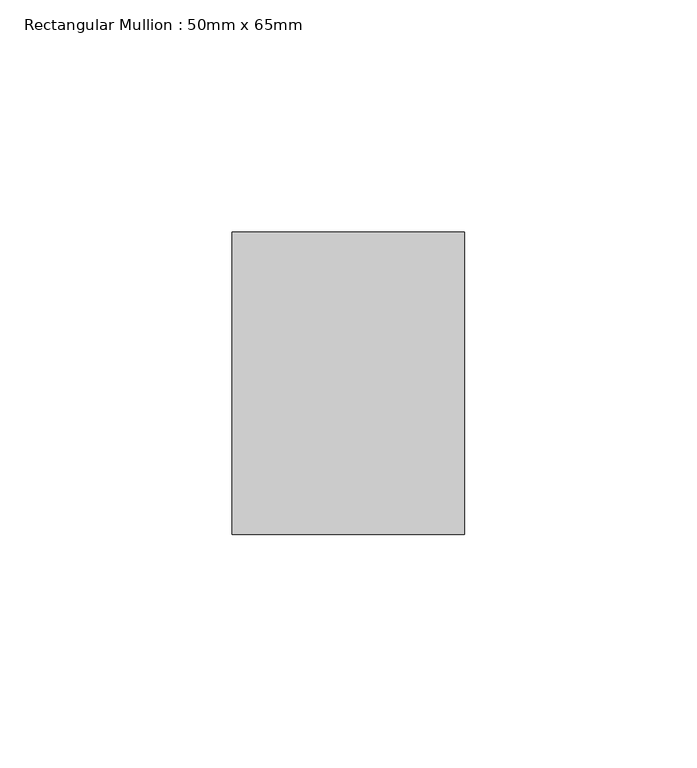
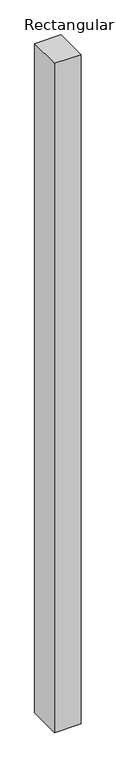
"""IFC4 building model written with IfcOpenShell, lengths in millimetres: member geometry, Rectangular Mullion : 50mm x 65mm."""

import ifcopenshell
import ifcopenshell.guid

model = None  # the IFC model being written
_history = None  # IfcOwnerHistory: only IFC2X3 demands one
_inside = {}  # id of a spatial element -> (the spatial element, [elements in it])
_under = {}  # id of a project, library or spatial element -> (it, [spatial elements below it])
_declared = {}  # id of a project -> (the project, [libraries it declares])
_typed = {}  # id of a type object -> (the type object, [elements of that type])
_made_of = {}  # id of a material, layer set ... -> (it, [elements and type objects made of it])


def new_model(schema):
    """Start an empty IFC model of exactly this schema.

    Asked for "IFC4X3", IfcOpenShell would pick the latest addendum, in which some entities
    have other attributes; the version numbers below select the first issue.
    IFC2X3 requires an IfcOwnerHistory on every rooted entity: one is made here for all.
    """
    global model, _history
    if schema == "IFC4X3":
        model = ifcopenshell.file(schema_version=(4, 3, 0, 0))
    else:
        model = ifcopenshell.file(schema=schema)
    _inside.clear()
    _under.clear()
    _declared.clear()
    _typed.clear()
    _made_of.clear()
    _history = None
    if model.schema == "IFC2X3":
        org = make("IfcOrganization", Name="unknown")
        user = make(
            "IfcPersonAndOrganization",
            ThePerson=make("IfcPerson", FamilyName="unknown"),
            TheOrganization=org,
        )
        app = make(
            "IfcApplication",
            ApplicationDeveloper=org,
            Version="unknown",
            ApplicationFullName="unknown",
            ApplicationIdentifier="unknown",
        )
        _history = make(
            "IfcOwnerHistory",
            OwningUser=user,
            OwningApplication=app,
            ChangeAction="ADDED",
            CreationDate=0,
        )
    return model


def make(cls, **values):
    """One entity of the class cls with the attributes given. An attribute that is None is left unset."""
    return model.create_entity(
        cls, **{name: value for name, value in values.items() if value is not None}
    )


def rooted(cls, **values):
    """An entity with a GlobalId (a new one), such as an element, a storey or a relation."""
    return make(cls, GlobalId=ifcopenshell.guid.new(), OwnerHistory=_history, **values)


def si_unit(unit_type, name, prefix=None):
    """IfcSIUnit, for example si_unit("LENGTHUNIT", "METRE", prefix="MILLI")."""
    return make("IfcSIUnit", UnitType=unit_type, Prefix=prefix, Name=name)


def assignment(units):
    """IfcUnitAssignment: the units of a project."""
    return None if units is None else make("IfcUnitAssignment", Units=units)


def point(xyz):
    """IfcCartesianPoint."""
    return None if xyz is None else make("IfcCartesianPoint", Coordinates=xyz)


def direction(xyz):
    """IfcDirection."""
    return None if xyz is None else make("IfcDirection", DirectionRatios=xyz)


def frame(location, z_axis=None, x_axis=None):
    """IfcAxis2Placement3D, a coordinate frame: its origin and axes. An axis left out is left unset."""
    return make(
        "IfcAxis2Placement3D",
        Location=point(location),
        Axis=direction(z_axis),
        RefDirection=direction(x_axis),
    )


def origin():
    """The frame at (0, 0, 0) with its axes left unset."""
    return frame((0.0, 0.0, 0.0))


def place(relative_to, where):
    """IfcLocalPlacement: puts the frame where relative to a parent placement (None: the world)."""
    return make(
        "IfcLocalPlacement", PlacementRelTo=relative_to, RelativePlacement=where
    )


def context(
    kind, dimensions, precision=None, world=None, true_north=None, identifier=None
):
    """IfcGeometricRepresentationContext, for example the 3D "Model" context."""
    return make(
        "IfcGeometricRepresentationContext",
        ContextIdentifier=identifier,
        ContextType=kind,
        CoordinateSpaceDimension=dimensions,
        Precision=precision,
        WorldCoordinateSystem=world,
        TrueNorth=true_north,
    )


def project(units=None, contexts=None):
    """IfcProject with its units and contexts."""
    return rooted(
        "IfcProject",
        Name="project",
        RepresentationContexts=contexts,
        UnitsInContext=assignment(units),
    )


def spatial(cls, under=None, at=None, **own):
    """A site, building, storey or space (cls), placed at a placement, below another one or the project."""
    s = rooted(cls, ObjectPlacement=at, **own)
    if under is not None:
        _under.setdefault(under.id(), (under, []))[1].append(s)
    return s


def polyline(points):
    """IfcPolyline through the points."""
    return make("IfcPolyline", Points=[point(p) for p in points])


def outline(outer, holes=None, kind="AREA"):
    """IfcArbitraryClosedProfileDef: a profile drawn as a closed curve; with holes, ...WithVoids."""
    if holes is None:
        return make("IfcArbitraryClosedProfileDef", ProfileType=kind, OuterCurve=outer)
    return make(
        "IfcArbitraryProfileDefWithVoids",
        ProfileType=kind,
        OuterCurve=outer,
        InnerCurves=holes,
    )


def extrude(swept, where, along, depth):
    """IfcExtrudedAreaSolid: the profile swept, set in the frame where, extruded along a direction by depth."""
    return make(
        "IfcExtrudedAreaSolid",
        SweptArea=swept,
        Position=where,
        ExtrudedDirection=direction(along),
        Depth=depth,
    )


def shape(context_of_items, identifier, shape_type, items):
    """IfcShapeRepresentation: the items that make up one representation, for example the "Body"."""
    return make(
        "IfcShapeRepresentation",
        ContextOfItems=context_of_items,
        RepresentationIdentifier=identifier,
        RepresentationType=shape_type,
        Items=items,
    )


def source(mapping_origin, context_of_items, identifier, shape_type, items):
    """IfcRepresentationMap: a shape defined once, which mapped items show again and again."""
    return make(
        "IfcRepresentationMap",
        MappingOrigin=mapping_origin,
        MappedRepresentation=shape(context_of_items, identifier, shape_type, items),
    )


def transform(
    local_origin,
    x_axis=None,
    y_axis=None,
    z_axis=None,
    scale=None,
    scale2=None,
    scale3=None,
    uniform=True,
):
    """IfcCartesianTransformationOperator3D, or its non-uniform kind. x_axis, y_axis, z_axis: its Axis1, 2, 3."""
    if uniform:
        return make(
            "IfcCartesianTransformationOperator3D",
            Axis1=direction(x_axis),
            Axis2=direction(y_axis),
            LocalOrigin=point(local_origin),
            Scale=scale,
            Axis3=direction(z_axis),
        )
    return make(
        "IfcCartesianTransformationOperator3DnonUniform",
        Axis1=direction(x_axis),
        Axis2=direction(y_axis),
        LocalOrigin=point(local_origin),
        Scale=scale,
        Axis3=direction(z_axis),
        Scale2=scale2,
        Scale3=scale3,
    )


def mapped(mapping_source, mapping_target):
    """IfcMappedItem: shows the shape of a source again, moved by a transform."""
    return make(
        "IfcMappedItem", MappingSource=mapping_source, MappingTarget=mapping_target
    )


def made_of(thing, what):
    """Note that an element or type object is made of a material, layer set ...; save() writes the relation."""
    if what is not None:
        _made_of.setdefault(what.id(), (what, []))[1].append(thing)
    return thing


def element(
    cls,
    number,
    at=None,
    inside=None,
    cuts=None,
    type_object=None,
    material=None,
    context=None,
    identifier="Body",
    shape_type=None,
    held_by="IfcProductDefinitionShape",
    body=None,
    shapes=None,
    **own,
):
    """One element of the class cls, such as IfcWall. Its Tag is "e" and its number.

    at: its placement. inside: the storey or other place that contains it. cuts: it is an
    opening in that element (IfcRelVoidsElement). A single representation is given by context,
    identifier, shape_type and body (its items); several are given by shapes. held_by: the class
    of the entity that holds the representations. save() writes the other relations.
    """
    e = rooted(cls, Tag="e%d" % number, ObjectPlacement=at, **own)
    if body is not None:
        shapes = [shape(context, identifier, shape_type, body)]
    if shapes is not None:
        e.Representation = make(held_by, Representations=shapes)
    if inside is not None:
        _inside.setdefault(inside.id(), (inside, []))[1].append(e)
    if cuts is not None:
        rooted(
            "IfcRelVoidsElement", RelatingBuildingElement=cuts, RelatedOpeningElement=e
        )
    if type_object is not None:
        _typed.setdefault(type_object.id(), (type_object, []))[1].append(e)
    return made_of(e, material)


def aggregate(whole, parts):
    """IfcRelAggregates: a whole, such as a stair, and the parts it consists of."""
    return rooted("IfcRelAggregates", RelatingObject=whole, RelatedObjects=parts)


def save(model, path):
    """Write the relations noted so far, then the file.

    IfcRelAggregates (storeys below a building ...), IfcRelContainedInSpatialStructure (elements
    in a storey), IfcRelDefinesByType, IfcRelAssociatesMaterial and IfcRelDeclares: one each for
    every whole, place, type object, material and project.
    """
    for whole, parts in _under.values():
        aggregate(whole, parts)
    for where, things in _inside.values():
        rooted(
            "IfcRelContainedInSpatialStructure",
            RelatedElements=things,
            RelatingStructure=where,
        )
    for kind, things in _typed.values():
        rooted("IfcRelDefinesByType", RelatedObjects=things, RelatingType=kind)
    for what, things in _made_of.values():
        rooted("IfcRelAssociatesMaterial", RelatedObjects=things, RelatingMaterial=what)
    for by, libraries in _declared.values():
        rooted("IfcRelDeclares", RelatingContext=by, RelatedDefinitions=libraries)
    model.write(path)


def rectangular_mullion_50mm_x_65mm_803db8d1(model_context):
    return source(origin(), model_context, "Body", "SweptSolid", [
        extrude(outline(polyline([(25.0, 32.5), (25.0, -32.5), (-25.0, -32.5), (-25.0, 32.5), (25.0, 32.5)])), frame((0.0, 0.0, -1337.4795538), z_axis=(0.0, 0.0, 1.0), x_axis=(1.0, 0.0, 0.0)), (0.0, 0.0, 1.0), 1337.4795538),
    ])


if __name__ == "__main__":
    model = new_model("IFC4")
    model_context = context("Model", 3, world=origin())
    ifc_project = project(units=[si_unit("LENGTHUNIT", "METRE", prefix="MILLI")], contexts=[model_context])
    site = spatial("IfcSite", under=ifc_project)
    building = spatial("IfcBuilding", under=site)
    placement = place(None, origin())
    rectangular_mullion_50mm_x_65mm_shape = rectangular_mullion_50mm_x_65mm_803db8d1(model_context)
    element("IfcMember", 1, ObjectType="Rectangular Mullion : 50mm x 65mm", at=placement, inside=building, context=model_context, shape_type="MappedRepresentation", body=[
        mapped(rectangular_mullion_50mm_x_65mm_shape, transform((0.0, 0.0, 0.0), x_axis=(1.0, 0.0, 0.0), y_axis=(0.0, 1.0, 0.0), z_axis=(0.0, 0.0, 1.0))),
    ])
    save(model, "model.ifc")
